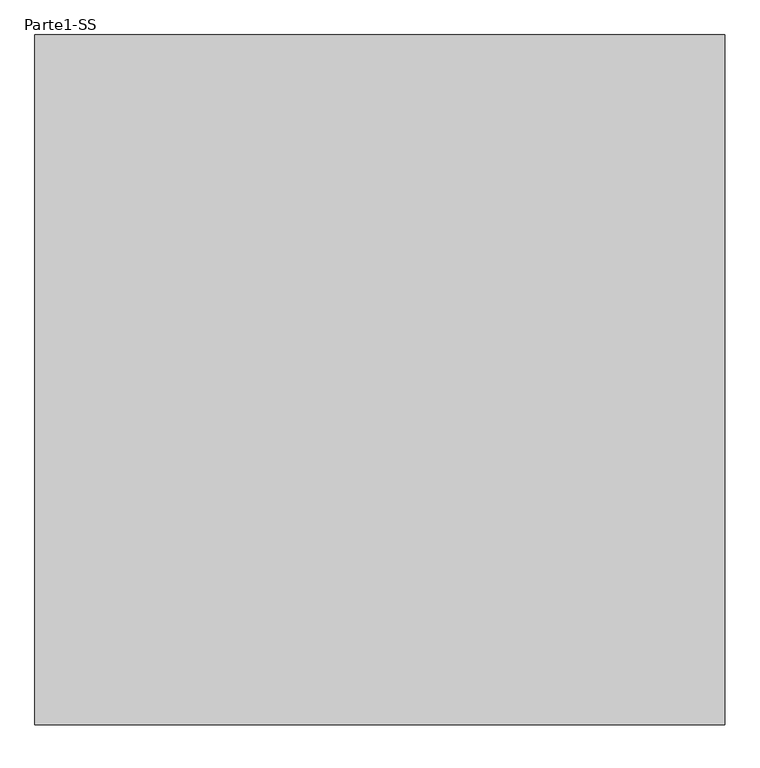
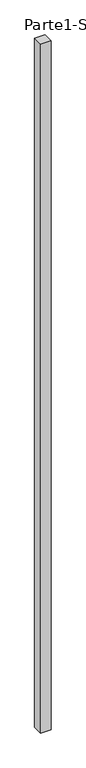
"""IFC4 building model written with IfcOpenShell, lengths in millimetres: proxy geometry, Parte1-SS."""

from ifc_helpers import new_model, si_unit, frame, origin, place, context, project, spatial, polyline, outline, extrude, source, transform, mapped, element, save


def parte1_ss_476a8149(model_context):
    return source(origin(), model_context, "Body", "SweptSolid", [
        extrude(outline(polyline([(2000.0, 2000.0), (2000.0, 0.0), (0.0, 0.0), (0.0, 2000.0), (2000.0, 2000.0)])), frame((0.0, 0.0, 25000.0), z_axis=(0.0, 0.0, 1.0), x_axis=(1.0, 0.0, 0.0)), (0.0, 0.0, 1.0), 140000.0),
    ])


if __name__ == "__main__":
    model = new_model("IFC4")
    model_context = context("Model", 3, world=origin())
    ifc_project = project(units=[si_unit("LENGTHUNIT", "METRE", prefix="MILLI")], contexts=[model_context])
    site = spatial("IfcSite", under=ifc_project)
    building = spatial("IfcBuilding", under=site)
    placement = place(None, origin())
    parte1_ss_shape = parte1_ss_476a8149(model_context)
    element("IfcBuildingElementProxy", 1, Name="Parte1-SS", ObjectType="Parte1-SS", at=placement, inside=building, context=model_context, shape_type="MappedRepresentation", body=[
        mapped(parte1_ss_shape, transform((0.0, 0.0, 0.0), x_axis=(1.0, 0.0, 0.0), y_axis=(0.0, 1.0, 0.0), z_axis=(0.0, 0.0, 1.0))),
    ])
    save(model, "model.ifc")
